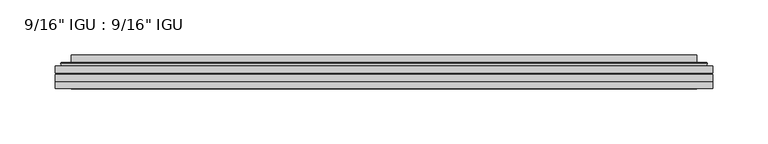
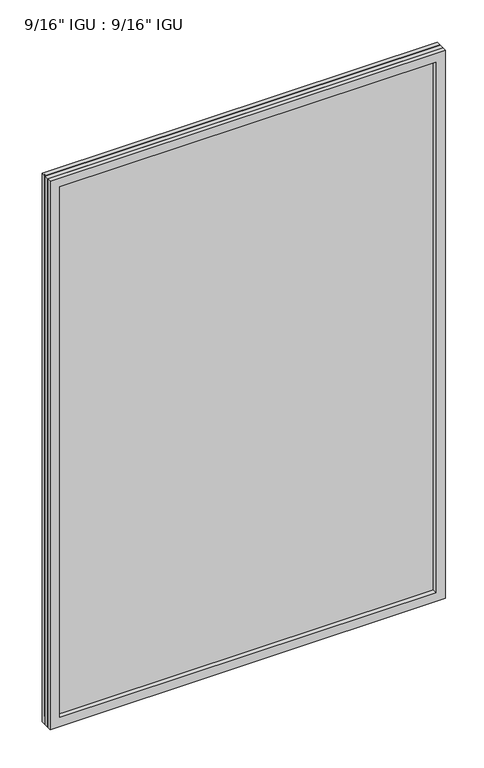
"""IFC4 building model written with IfcOpenShell, lengths in millimetres: plate geometry."""

from ifc_helpers import new_model, si_unit, frame, origin, place, context, project, spatial, polyline, ellipse_curve, outline, extrude, faceted_brep, source, transform, mapped, element, save
from ifc_brep_helpers import plane_surface, cylinder_surface, advanced_brep


def plate_554e94f3(model_context):
    return source(origin(), model_context, "Body", "SolidModel", [
        extrude(outline(polyline([(296.8980814, -54.78145), (296.8980814, -61.1317818), (-296.8839064, -61.1317818), (-296.8839064, -54.78145), (296.8980814, -54.78145)])), frame((0.0, 0.0, -14.2875), z_axis=(0.0, 0.0, 1.0), x_axis=(1.0, 0.0, 0.0)), (0.0, 0.0, 1.0), 869.9537979),
        extrude(outline(polyline([(-296.8839064, -69.05625), (-296.8839064, -62.705745), (296.8980814, -62.705745), (296.8980814, -69.05625), (-296.8839064, -69.05625)])), frame((0.0, 0.0, -14.2875), z_axis=(0.0, 0.0, 1.0), x_axis=(1.0, 0.0, 0.0)), (0.0, 0.0, 1.0), 869.9537979),
        faceted_brep([(-296.8966064, -75.40625, 855.6752), (-296.8966064, -69.05625, 855.6752), (-296.8966064, -69.05625, -14.3002), (-296.8966064, -75.40625, -14.3002), (296.8966064, -69.05625, -14.3002), (296.8966064, -75.40625, -14.3002), (296.8966064, -69.05625, 855.6752), (296.8966064, -75.40625, 855.6752), (-281.6986623, -69.05625, 0.8977441), (281.6986623, -69.05625, 0.8977441), (281.6986623, -69.05625, 840.4772559), (-281.6986623, -69.05625, 840.4772559), (-282.5910966, -75.40625, 841.3696902), (282.5910966, -75.40625, 841.3696902), (282.5910966, -75.40625, 0.0053098), (-282.5910966, -75.40625, 0.0053098)], [[[0, 1, 2, 3]], [[3, 2, 4, 5]], [[5, 4, 6, 7]], [[1, 6, 4, 2], [8, 9, 10, 11]], [[7, 6, 1, 0]], [[3, 5, 7, 0], [12, 13, 14, 15]], [[11, 12, 15, 8]], [[8, 15, 14, 9]], [[9, 14, 13, 10]], [[10, 13, 12, 11]]]),
        advanced_brep(
        [(-289.6426255, -54.78145, 848.421219), (-291.9968308, -52.7917833, 850.7754244), (-291.9968308, -52.7917833, -9.4004244), (-289.6426255, -54.78145, -7.046219), (-280.5683003, -50.941413, 839.3468939), (-275.6334685, -54.78145, 834.4120621), (-275.6334685, -54.78145, 6.9629379), (-280.5683003, -50.941413, 2.0281061), (-281.6003281, -45.5441819, 840.3789217), (-281.6003281, -45.5441819, 0.9960783), (-282.5909849, -45.1452069, 841.3695784), (-282.5909849, -45.1452069, 0.0054216), (-282.5909849, -51.60645, 841.3695784), (-282.5909849, -51.60645, 0.0054216), (-290.9950413, -51.60645, 849.7736349), (-290.9950413, -51.60645, -8.3986349), (291.9968308, -52.7917833, -9.4004244), (289.6426255, -54.78145, -7.046219), (275.6334685, -54.78145, 6.9629379), (280.5683003, -50.941413, 2.0281061), (281.6003281, -45.5441819, 0.9960783), (282.5909849, -45.1452069, 0.0054216), (282.5909849, -51.60645, 0.0054216), (290.9950413, -51.60645, -8.3986349), (291.9968308, -52.7917833, 850.7754244), (289.6426255, -54.78145, 848.421219), (275.6334685, -54.78145, 834.4120621), (280.5683003, -50.941413, 839.3468939), (281.6003281, -45.5441819, 840.3789217), (282.5909849, -45.1452069, 841.3695784), (282.5909849, -51.60645, 841.3695784), (290.9950413, -51.60645, 849.7736349)],
        [
            (0, 1, ellipse_curve(frame((-289.6426255, -52.39385, 848.421219), z_axis=(-0.7071067811865475, 0.0, -0.7071067811865475), x_axis=(-0.7071067811865474, 0.0, 0.7071067811865476)), 3.3765763, 2.3876)),
            (1, 2),
            (2, 3, ellipse_curve(frame((-289.6426255, -52.39385, -7.046219), z_axis=(-0.7071067811865475, 0.0, 0.7071067811865475), x_axis=(0.7071067811865474, 0.0, 0.7071067811865476)), 3.3765763, 2.3876)),
            (3, 0),
            (4, 5),
            (5, 6),
            (6, 7),
            (7, 4),
            (8, 4),
            (7, 9),
            (9, 8),
            (10, 8, ellipse_curve(frame((-282.2240283, -45.6634423, 841.0026219), z_axis=(-0.7071067811865475, 0.0, -0.7071067811865475), x_axis=(-0.7071067811865474, 0.0, 0.7071067811865476)), 0.8980256, 0.635)),
            (9, 11, ellipse_curve(frame((-282.2240283, -45.6634423, 0.3723781), z_axis=(-0.7071067811865475, 0.0, 0.7071067811865475), x_axis=(0.7071067811865474, 0.0, 0.7071067811865476)), 0.8980256, 0.635)),
            (11, 10),
            (12, 10),
            (11, 13),
            (13, 12),
            (1, 14, ellipse_curve(frame((-290.9950413, -52.62245, 849.7736349), z_axis=(-0.7071067811865475, 0.0, -0.7071067811865475), x_axis=(-0.7071067811865474, 0.0, 0.7071067811865476)), 1.436841, 1.016)),
            (14, 15),
            (15, 2, ellipse_curve(frame((-290.9950413, -52.62245, -8.3986349), z_axis=(-0.7071067811865475, 0.0, 0.7071067811865475), x_axis=(0.7071067811865474, 0.0, 0.7071067811865476)), 1.436841, 1.016)),
            (2, 16),
            (16, 17, ellipse_curve(frame((289.6426255, -52.39385, -7.046219), z_axis=(-0.7071067811865475, 0.0, -0.7071067811865475), x_axis=(-0.7071067811865476, 0.0, 0.7071067811865474)), 3.3765763, 2.3876)),
            (17, 3),
            (6, 18),
            (18, 19),
            (19, 7),
            (19, 20),
            (20, 9),
            (20, 21, ellipse_curve(frame((282.2240283, -45.6634423, 0.3723781), z_axis=(-0.7071067811865475, 0.0, -0.7071067811865475), x_axis=(-0.7071067811865476, 0.0, 0.7071067811865474)), 0.8980256, 0.635)),
            (21, 11),
            (21, 22),
            (22, 13),
            (15, 23),
            (23, 16, ellipse_curve(frame((290.9950413, -52.62245, -8.3986349), z_axis=(-0.7071067811865475, 0.0, -0.7071067811865475), x_axis=(-0.7071067811865476, 0.0, 0.7071067811865474)), 1.436841, 1.016)),
            (16, 24),
            (24, 25, ellipse_curve(frame((289.6426255, -52.39385, 848.421219), z_axis=(0.7071067811865475, 0.0, -0.7071067811865475), x_axis=(-0.7071067811865474, 0.0, -0.7071067811865476)), 3.3765763, 2.3876)),
            (25, 17),
            (18, 26),
            (26, 27),
            (27, 19),
            (27, 28),
            (28, 20),
            (28, 29, ellipse_curve(frame((282.2240283, -45.6634423, 841.0026219), z_axis=(0.7071067811865475, 0.0, -0.7071067811865475), x_axis=(-0.7071067811865474, 0.0, -0.7071067811865476)), 0.8980256, 0.635)),
            (29, 21),
            (29, 30),
            (30, 22),
            (23, 31),
            (31, 24, ellipse_curve(frame((290.9950413, -52.62245, 849.7736349), z_axis=(0.7071067811865475, 0.0, -0.7071067811865475), x_axis=(-0.7071067811865474, 0.0, -0.7071067811865476)), 1.436841, 1.016)),
            (24, 1),
            (0, 25),
            (5, 26),
            (4, 27),
            (8, 28),
            (10, 29),
            (12, 30),
            (14, 31),
        ],
        [
            cylinder_surface(frame((-289.6426255, -52.39385, 873.125), z_axis=(0.0, 0.0, 1.0), x_axis=(-1.0, 0.0, 0.0)), 2.3876),
            plane_surface(frame((-275.6334685, -54.78145, 834.4120621), z_axis=(0.6141233906514794, 0.7892100234124821, 0.0), x_axis=(0.0, 0.0, -1.0))),
            plane_surface(frame((-280.5683003, -50.941413, 839.3468939), z_axis=(0.9822050625507728, 0.18781164793386088, 0.0), x_axis=(0.0, 0.0, -1.0))),
            cylinder_surface(frame((-282.2240283, -45.6634423, 873.125), z_axis=(0.0, 0.0, 1.0), x_axis=(-1.0, 0.0, 0.0)), 0.635),
            plane_surface(frame((-282.5909849, -45.1452069, 841.3695784), z_axis=(-1.0, 0.0, 0.0), x_axis=(0.0, 0.0, -1.0))),
            cylinder_surface(frame((-290.9950413, -52.62245, 873.125), z_axis=(0.0, 0.0, 1.0), x_axis=(-1.0, 0.0, 0.0)), 1.016),
            cylinder_surface(frame((-314.3464064, -52.39385, -7.046219), z_axis=(-1.0, 0.0, 0.0), x_axis=(0.0, 0.0, -1.0)), 2.3876),
            plane_surface(frame((-275.6334685, -54.78145, 6.9629379), z_axis=(0.0, 0.7892100234124841, 0.6141233906514768), x_axis=(1.0, 0.0, 0.0))),
            plane_surface(frame((-280.5683003, -50.941413, 2.0281061), z_axis=(0.0, 0.18781164793386404, 0.9822050625507722), x_axis=(1.0, 0.0, 0.0))),
            cylinder_surface(frame((-314.3464064, -45.6634423, 0.3723781), z_axis=(-1.0, 0.0, 0.0), x_axis=(0.0, 0.0, -1.0)), 0.635),
            plane_surface(frame((-282.5909849, -45.1452069, 0.0054216), z_axis=(0.0, 0.0, -1.0), x_axis=(1.0, 0.0, 0.0))),
            cylinder_surface(frame((-314.3464064, -52.62245, -8.3986349), z_axis=(-1.0, 0.0, 0.0), x_axis=(0.0, 0.0, -1.0)), 1.016),
            cylinder_surface(frame((289.6426255, -52.39385, -31.75), z_axis=(0.0, 0.0, -1.0), x_axis=(1.0, 0.0, 0.0)), 2.3876),
            plane_surface(frame((275.6334685, -54.78145, 6.9629379), z_axis=(-0.6141233906514743, 0.7892100234124861, 0.0), x_axis=(0.0, 0.0, 1.0))),
            plane_surface(frame((280.5683003, -50.941413, 2.0281061), z_axis=(-0.9822050625507717, 0.1878116479338672, 0.0), x_axis=(0.0, 0.0, 1.0))),
            cylinder_surface(frame((282.2240283, -45.6634423, -31.75), z_axis=(0.0, 0.0, -1.0), x_axis=(1.0, 0.0, 0.0)), 0.635),
            plane_surface(frame((282.5909849, -45.1452069, 0.0054216), z_axis=(1.0, 0.0, 0.0), x_axis=(0.0, 0.0, 1.0))),
            cylinder_surface(frame((290.9950413, -52.62245, -31.75), z_axis=(0.0, 0.0, -1.0), x_axis=(1.0, 0.0, 0.0)), 1.016),
            cylinder_surface(frame((314.3464064, -52.39385, 848.421219), z_axis=(1.0, 0.0, 0.0), x_axis=(0.0, 0.0, 1.0)), 2.3876),
            plane_surface(frame((289.6426255, -54.78145, 848.421219), z_axis=(0.0, -1.0, 0.0), x_axis=(-1.0, 0.0, 0.0))),
            plane_surface(frame((275.6334685, -54.78145, 834.4120621), z_axis=(0.0, 0.7892100234124841, -0.6141233906514768), x_axis=(-1.0, 0.0, 0.0))),
            plane_surface(frame((280.5683003, -50.941413, 839.3468939), z_axis=(0.0, 0.18781164793386404, -0.9822050625507722), x_axis=(-1.0, 0.0, 0.0))),
            cylinder_surface(frame((314.3464064, -45.6634423, 841.0026219), z_axis=(1.0, 0.0, 0.0), x_axis=(0.0, 0.0, 1.0)), 0.635),
            plane_surface(frame((282.5909849, -45.1452069, 841.3695784), z_axis=(0.0, 0.0, 1.0), x_axis=(-1.0, 0.0, 0.0))),
            plane_surface(frame((282.5909849, -51.60645, 841.3695784), z_axis=(0.0, 1.0, 0.0), x_axis=(-1.0, 0.0, 0.0))),
            cylinder_surface(frame((314.3464064, -52.62245, 849.7736349), z_axis=(1.0, 0.0, 0.0), x_axis=(0.0, 0.0, 1.0)), 1.016),
        ],
        [
            (0, [[1, 2, 3, 4]]),
            (1, [[5, 6, 7, 8]]),
            (2, [[9, -8, 10, 11]]),
            (3, [[12, -11, 13, 14]]),
            (4, [[15, -14, 16, 17]]),
            (5, [[18, 19, 20, -2]]),
            (6, [[-3, 21, 22, 23]]),
            (7, [[-7, 24, 25, 26]]),
            (8, [[-10, -26, 27, 28]]),
            (9, [[-13, -28, 29, 30]]),
            (10, [[-16, -30, 31, 32]]),
            (11, [[-20, 33, 34, -21]]),
            (12, [[-22, 35, 36, 37]]),
            (13, [[-25, 38, 39, 40]]),
            (14, [[-27, -40, 41, 42]]),
            (15, [[-29, -42, 43, 44]]),
            (16, [[-31, -44, 45, 46]]),
            (17, [[-34, 47, 48, -35]]),
            (18, [[-36, 49, -1, 50]]),
            (19, [[-23, -37, -50, -4], [51, -38, -24, -6]]),
            (20, [[-39, -51, -5, 52]]),
            (21, [[-41, -52, -9, 53]]),
            (22, [[-43, -53, -12, 54]]),
            (23, [[-45, -54, -15, 55]]),
            (24, [[56, -47, -33, -19], [-32, -46, -55, -17]]),
            (25, [[-48, -56, -18, -49]]),
        ],
    ),
    ])


if __name__ == "__main__":
    model = new_model("IFC4")
    model_context = context("Model", 3, world=origin())
    ifc_project = project(units=[si_unit("LENGTHUNIT", "METRE", prefix="MILLI")], contexts=[model_context])
    site = spatial("IfcSite", under=ifc_project)
    building = spatial("IfcBuilding", under=site)
    placement = place(None, origin())
    plate_shape = plate_554e94f3(model_context)
    element("IfcPlate", 1, ObjectType="9/16\" IGU : 9/16\" IGU", at=placement, inside=building, context=model_context, shape_type="MappedRepresentation", body=[
        mapped(plate_shape, transform((0.0, 0.0, 0.0), x_axis=(1.0, 0.0, 0.0), y_axis=(0.0, 1.0, 0.0), z_axis=(0.0, 0.0, 1.0))),
    ])
    save(model, "model.ifc")
